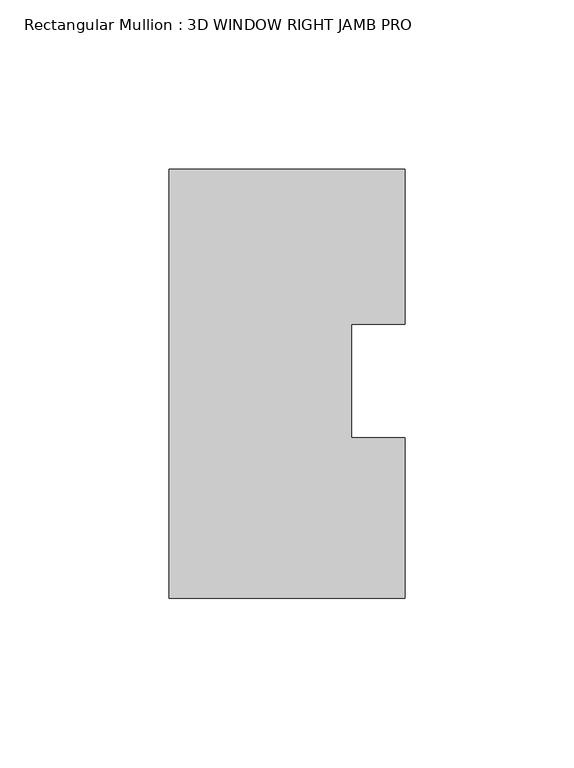
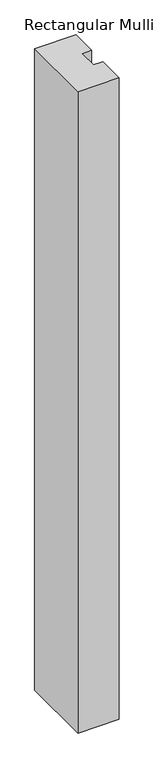
"""IFC4 building model written with IfcOpenShell, lengths in millimetres: member geometry, Rectangular Mullion : 3D WINDOW RIGHT JAMB PRO."""

from ifc_helpers import new_model, si_unit, frame, origin, place, context, project, spatial, polyline, outline, extrude, source, transform, mapped, element, save


def rectangular_mullion_3d_window_right_jamb_pro_0477f1b4(model_context):
    return source(origin(), model_context, "Body", "SweptSolid", [
        extrude(outline(polyline([(34.9711582, -63.5), (-34.9711582, -63.5), (-34.9711582, 63.5), (34.9711582, 63.5), (34.9711582, 17.5167003), (19.0961582, 17.5167003), (19.0961582, -16.0459314), (34.9711582, -16.0459314), (34.9711582, -63.5)])), frame((0.0, 0.0, -1149.35), z_axis=(0.0, 0.0, 1.0), x_axis=(1.0, 0.0, 0.0)), (0.0, 0.0, 1.0), 1149.35),
    ])


if __name__ == "__main__":
    model = new_model("IFC4")
    model_context = context("Model", 3, world=origin())
    ifc_project = project(units=[si_unit("LENGTHUNIT", "METRE", prefix="MILLI")], contexts=[model_context])
    site = spatial("IfcSite", under=ifc_project)
    building = spatial("IfcBuilding", under=site)
    placement = place(None, origin())
    rectangular_mullion_3d_window_right_jamb_pro_shape = rectangular_mullion_3d_window_right_jamb_pro_0477f1b4(model_context)
    element("IfcMember", 1, ObjectType="Rectangular Mullion : 3D WINDOW RIGHT JAMB PRO", at=placement, inside=building, context=model_context, shape_type="MappedRepresentation", body=[
        mapped(rectangular_mullion_3d_window_right_jamb_pro_shape, transform((0.0, 0.0, 0.0), x_axis=(1.0, 0.0, 0.0), y_axis=(0.0, 1.0, 0.0), z_axis=(0.0, 0.0, 1.0))),
    ])
    save(model, "model.ifc")
